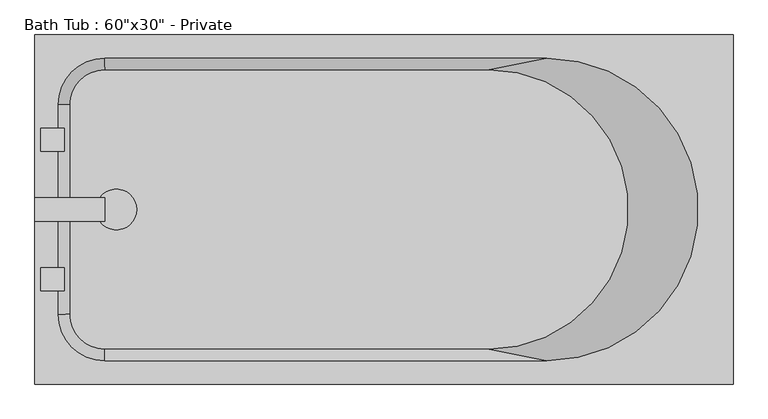
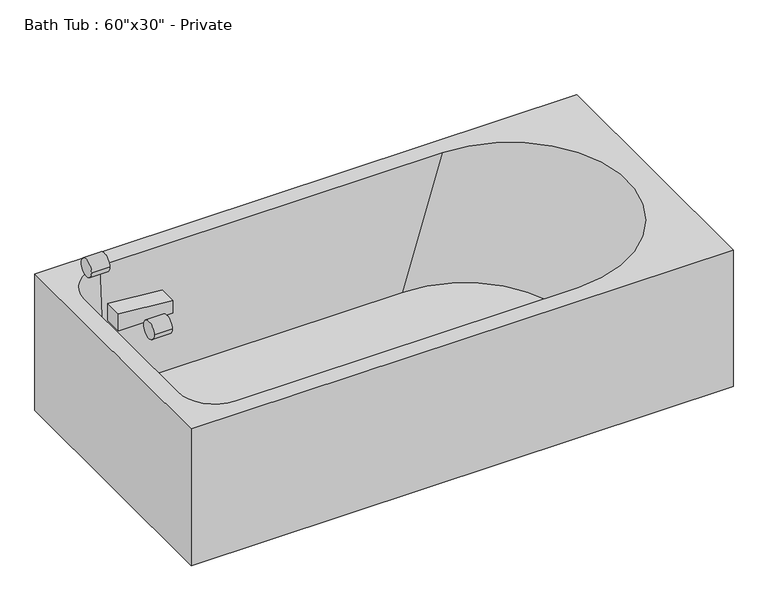
"""IFC4 building model written with IfcOpenShell, lengths in millimetres: flow terminal geometry."""

from ifc_helpers import new_model, si_unit, point, frame, frame_2d, origin, origin_with_axes, place, context, project, spatial, polyline, circle_curve, trimmed, segment, composite_curve, outline, extrude, source, transform, mapped, element, save
from ifc_brep_helpers import plane_surface, revolved_surface, spline_surface, advanced_brep


def flow_terminal_ef44dd1b(model_context):
    return source(origin(), model_context, "Body", "SolidModel", [
        extrude(outline(composite_curve([segment(trimmed(circle_curve(frame_2d((177.8, 381.0)), 44.45), [point((133.35, 381.0))], [point((222.25, 381.0))], False, "CARTESIAN"), True, "CONTINUOUS"), segment(trimmed(circle_curve(frame_2d((177.8, 381.0)), 44.45), [point((222.25, 381.0))], [point((133.35, 381.0))], False, "CARTESIAN"), True, "CONTINUOUS")], self_intersect=False)), origin_with_axes(), (0.0, 0.0, 1.0), 50.8),
        advanced_brep(
        [(1524.0, 0.0, 406.4), (1524.0, 762.0, 406.4), (0.0, 762.0, 406.4), (0.0, 0.0, 406.4), (152.4, 711.2, 406.4), (1117.6, 711.2, 406.4), (1117.6, 50.8, 406.4), (152.4, 50.8, 406.4), (50.8, 152.4, 406.4), (50.8, 609.6, 406.4), (1524.0, 0.0, 0.0), (0.0, 0.0, 0.0), (0.0, 762.0, 0.0), (1524.0, 762.0, 0.0), (133.35, 381.0, 0.0), (222.25, 381.0, 0.0), (990.6, 685.8, 50.8), (152.4, 685.8, 50.8), (76.2, 609.6, 50.8), (76.2, 152.4, 50.8), (152.4, 76.2, 50.8), (990.6, 76.2, 50.8), (222.25, 381.0, 50.8), (133.35, 381.0, 50.8)],
        [
            (0, 1),
            (1, 2),
            (2, 3),
            (3, 0),
            (4, 5),
            (5, 6, circle_curve(frame((1117.6, 381.0, 406.4), z_axis=(0.0, 0.0, -1.0), x_axis=(1.0, 0.0, 0.0)), 330.2)),
            (6, 7),
            (7, 8, circle_curve(frame((152.4, 152.4, 406.4), z_axis=(0.0, 0.0, -1.0), x_axis=(0.0, -1.0, 0.0)), 101.6)),
            (8, 9),
            (9, 4, circle_curve(frame((152.4, 609.6, 406.4), z_axis=(0.0, 0.0, -1.0), x_axis=(-1.0, 0.0, 0.0)), 101.6)),
            (10, 11),
            (11, 12),
            (12, 13),
            (13, 10),
            (14, 15, circle_curve(frame((177.8, 381.0, 0.0), z_axis=(0.0, 0.0, 1.0), x_axis=(1.0, 0.0, 0.0)), 44.45)),
            (15, 14, circle_curve(frame((177.8, 381.0, 0.0), z_axis=(0.0, 0.0, 1.0), x_axis=(1.0, 0.0, 0.0)), 44.45)),
            (0, 10),
            (13, 1),
            (12, 2),
            (11, 3),
            (16, 17),
            (17, 18, circle_curve(frame((152.4, 609.6, 50.8), z_axis=(0.0, 0.0, 1.0), x_axis=(-1.0, 0.0, 0.0)), 76.2)),
            (18, 19),
            (19, 20, circle_curve(frame((152.4, 152.4, 50.8), z_axis=(0.0, 0.0, 1.0), x_axis=(0.0, -1.0, 0.0)), 76.2)),
            (20, 21),
            (21, 16, circle_curve(frame((990.6, 381.0, 50.8), z_axis=(0.0, 0.0, 1.0), x_axis=(1.0, 0.0, 0.0)), 304.8)),
            (22, 23, circle_curve(frame((177.8, 381.0, 50.8), z_axis=(0.0, 0.0, -1.0), x_axis=(1.0, 0.0, 0.0)), 44.45)),
            (23, 22, circle_curve(frame((177.8, 381.0, 50.8), z_axis=(0.0, 0.0, -1.0), x_axis=(1.0, 0.0, 0.0)), 44.45)),
            (21, 6),
            (5, 16),
            (20, 7),
            (19, 8),
            (18, 9),
            (17, 4),
            (22, 15),
            (14, 23),
        ],
        [
            plane_surface(frame((1524.0, 0.0, 406.4), z_axis=(0.0, 0.0, 1.0), x_axis=(0.0, 1.0, 0.0))),
            plane_surface(frame((1524.0, 0.0, 0.0), z_axis=(0.0, 0.0, -1.0), x_axis=(0.0, -1.0, 0.0))),
            plane_surface(frame((1524.0, 0.0, 406.4), z_axis=(1.0, 0.0, 0.0), x_axis=(0.0, 0.0, -1.0))),
            plane_surface(frame((1524.0, 762.0, 406.4), z_axis=(0.0, 1.0, 0.0), x_axis=(0.0, 0.0, -1.0))),
            plane_surface(frame((0.0, 762.0, 406.4), z_axis=(-1.0, 0.0, 0.0), x_axis=(0.0, 0.0, -1.0))),
            plane_surface(frame((0.0, 0.0, 406.4), z_axis=(0.0, -1.0, 0.0), x_axis=(0.0, 0.0, -1.0))),
            plane_surface(frame((406.4, 381.0, 50.8), z_axis=(0.0, 0.0, 1.0), x_axis=(0.0, -1.0, 0.0))),
            spline_surface(1, 2, [[(1117.6, 711.2, 406.4), (1447.8, 711.2, 406.4), (1447.8, 381.0, 406.4), (1447.8, 50.799999999999955, 406.4), (1117.6, 50.8, 406.4)], [(990.6, 685.8, 50.8), (1295.4, 685.8, 50.8), (1295.4, 381.0, 50.8), (1295.4, 76.20000000000005, 50.8), (990.6, 76.2, 50.8)]], [2, 2], [3, 2, 3], [0.0, 1.0], [0.0, 1.0, 2.0], weights=[[1.0, 0.7071067811865476, 1.0, 0.7071067811865475, 1.0], [1.0, 0.7071067811865476, 1.0, 0.7071067811865475, 1.0]]),
            plane_surface(frame((635.0, 50.8, 406.4), z_axis=(0.0, 0.9974586998307349, 0.07124704998791126), x_axis=(-1.0, 0.0, 0.0))),
            revolved_surface(polyline([(50.8, 152.4, 406.4000000000001), (76.20000000000002, 152.4, 50.799999999999955)]), (152.4, 152.4, -1016.0), (0.0, 0.0, 1.0)),
            plane_surface(frame((50.8, 381.0, 406.4), z_axis=(0.9974586998307344, 0.0, 0.07124704998791873), x_axis=(0.0, 1.0, 0.0))),
            revolved_surface(polyline([(152.4, 711.2, 406.4000000000001), (152.4, 685.8000000000001, 50.799999999999955)]), (152.4, 609.6, -1016.0), (0.0, 0.0, 1.0)),
            plane_surface(frame((635.0, 711.2, 406.4), z_axis=(0.0, -0.9974586998307353, 0.07124704998790607), x_axis=(1.0, 0.0, 0.0))),
            revolved_surface(polyline([(222.25, 381.0, 50.8), (222.25, 381.0, 0.0)]), (177.8, 381.0, 0.0), (0.0, 0.0, 1.0)),
        ],
        [
            (0, [[1, 2, 3, 4], [5, 6, 7, 8, 9, 10]]),
            (1, [[11, 12, 13, 14], [15, 16]]),
            (2, [[-1, 17, -14, 18]]),
            (3, [[-2, -18, -13, 19]]),
            (4, [[-3, -19, -12, 20]]),
            (5, [[-4, -20, -11, -17]]),
            (6, [[21, 22, 23, 24, 25, 26], [27, 28]]),
            (7, [[-26, 29, -6, 30]]),
            (8, [[-25, 31, -7, -29]]),
            (9, [[-24, 32, -8, -31]]),
            (10, [[-23, 33, -9, -32]]),
            (11, [[-22, 34, -10, -33]]),
            (12, [[-21, -30, -5, -34]]),
            (13, [[35, -15, 36, -27]]),
            (13, [[-35, -28, -36, -16]]),
        ],
    ),
        extrude(outline(polyline([(482.6, 0.0), (482.6, 152.4), (520.7, 152.4), (533.4, 0.0), (482.6, 0.0)])), frame((0.0, 355.6, 0.0), z_axis=(0.0, 1.0, 0.0), x_axis=(0.0, 0.0, 1.0)), (0.0, 0.0, 1.0), 50.8),
        extrude(outline(composite_curve([segment(trimmed(circle_curve(frame_2d((533.4, 558.8)), 25.4), [point((508.0, 558.8))], [point((558.8, 558.8))], False, "CARTESIAN"), True, "CONTINUOUS"), segment(trimmed(circle_curve(frame_2d((533.4, 558.8)), 25.4), [point((558.8, 558.8))], [point((508.0, 558.8))], False, "CARTESIAN"), True, "CONTINUOUS")], self_intersect=False)), frame((12.7, 0.0, 0.0), z_axis=(1.0, 0.0, 0.0), x_axis=(0.0, 1.0, 0.0)), (0.0, 0.0, 1.0), 50.8),
        extrude(outline(composite_curve([segment(trimmed(circle_curve(frame_2d((228.6, 558.8)), 25.4), [point((203.2, 558.8))], [point((254.0, 558.8))], False, "CARTESIAN"), True, "CONTINUOUS"), segment(trimmed(circle_curve(frame_2d((228.6, 558.8)), 25.4), [point((254.0, 558.8))], [point((203.2, 558.8))], False, "CARTESIAN"), True, "CONTINUOUS")], self_intersect=False)), frame((12.7, 0.0, 0.0), z_axis=(1.0, 0.0, 0.0), x_axis=(0.0, 1.0, 0.0)), (0.0, 0.0, 1.0), 50.8),
    ])


if __name__ == "__main__":
    model = new_model("IFC4")
    model_context = context("Model", 3, world=origin())
    ifc_project = project(units=[si_unit("LENGTHUNIT", "METRE", prefix="MILLI")], contexts=[model_context])
    site = spatial("IfcSite", under=ifc_project)
    building = spatial("IfcBuilding", under=site)
    placement = place(None, origin())
    flow_terminal_shape = flow_terminal_ef44dd1b(model_context)
    element("IfcFlowTerminal", 1, ObjectType="Bath Tub : 60\"x30\" - Private", at=placement, inside=building, context=model_context, shape_type="MappedRepresentation", body=[
        mapped(flow_terminal_shape, transform((0.0, 0.0, 0.0), x_axis=(1.0, 0.0, 0.0), y_axis=(0.0, 1.0, 0.0), z_axis=(0.0, 0.0, 1.0))),
    ])
    save(model, "model.ifc")
